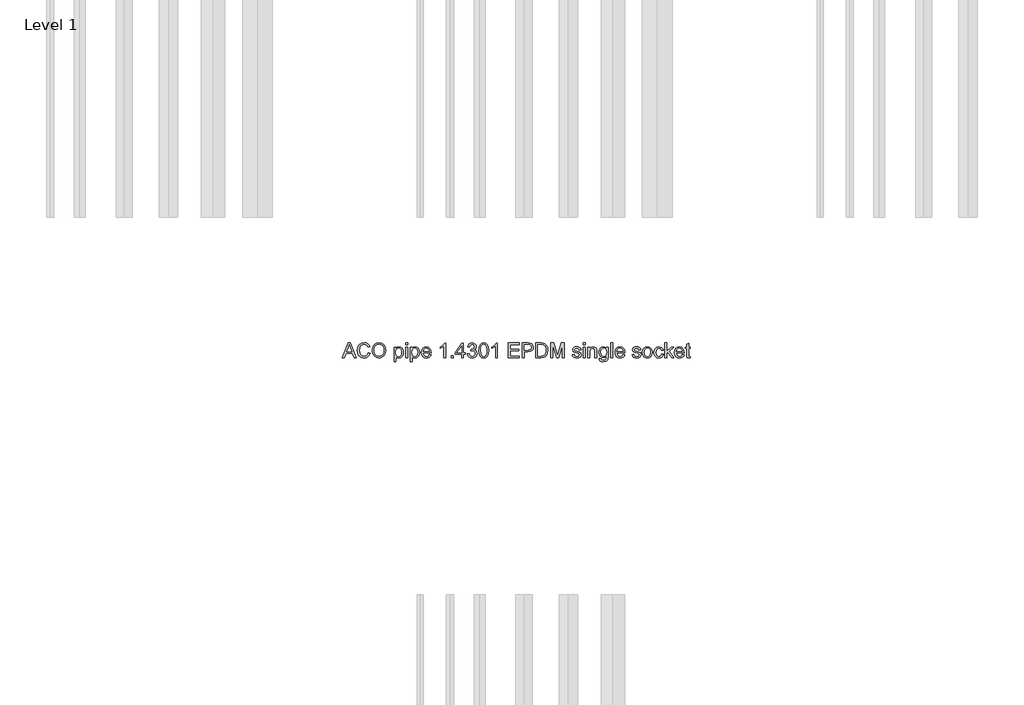
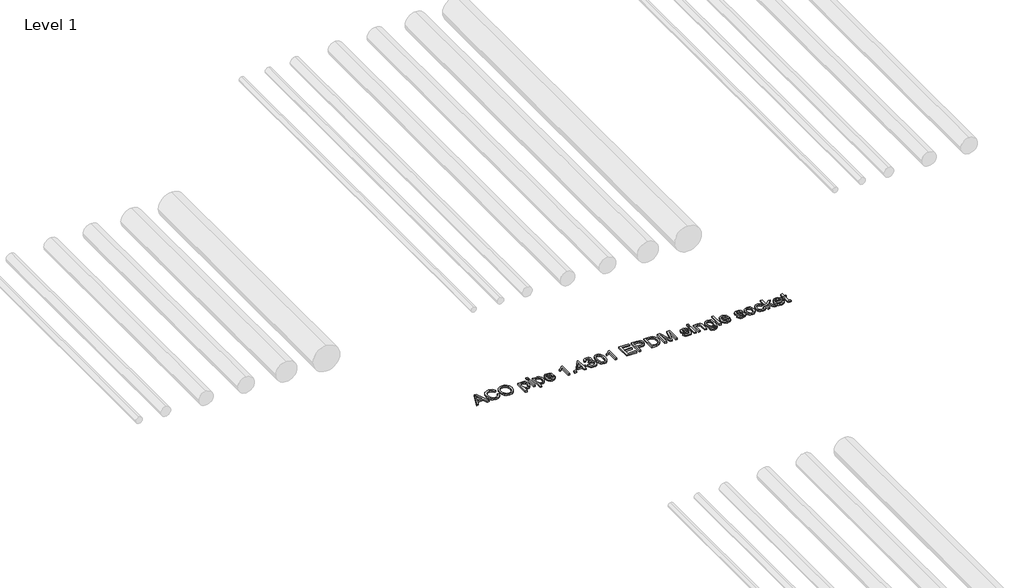
# One storey, part 11 of 13: 1 proxy.
"""IFC4 building model written with IfcOpenShell, lengths in millimetres."""

from ifc_helpers import new_model, si_unit, origin, origin_with_axes, place, context, project, spatial, polyline, outline, extrude, element, save

model = new_model("IFC4")

# Units and contexts
model_context = context("Model", 3, world=origin())
ifc_project = project(units=[si_unit("LENGTHUNIT", "METRE", prefix="MILLI")], contexts=[model_context])

# Site, building, storey
site = spatial("IfcSite", under=ifc_project)
building = spatial("IfcBuilding", under=site)
storey = spatial("IfcBuildingStorey", under=building, Name="Level 1", Elevation=0.0)

# Proxy
placement = place(None, origin())
element("IfcBuildingElementProxy", 1, Name="100mm ACO", ObjectType="100mm ACO", at=placement, inside=storey, context=model_context, shape_type="SweptSolid", body=[
    extrude(outline(polyline([(3288.8757357, -969.2114353), (3275.0736524, -969.2114353), (3263.0944857, -939.5818057), (3220.6465691, -939.5818057), (3209.1303654, -969.2114353), (3195.3572172, -969.2114353), (3234.2171709, -869.2114353), (3248.3954116, -869.2114353), (3288.8757357, -969.2114353)]), holes=[polyline([(3258.5805968, -928.4706946), (3244.156407, -891.8098149), (3241.1905505, -880.1489353), (3236.5319857, -898.7253242), (3224.9868468, -928.4706946), (3258.5805968, -928.4706946)])]), origin_with_axes(), (0.0, 0.0, 1.0), 10.0),
    extrude(outline(polyline([(3382.8572172, -937.3827316), (3376.9435887, -952.2083971), (3367.8253885, -962.7154862), (3356.0379174, -968.9763369), (3342.1164765, -971.0632872), (3321.2108052, -967.2076737), (3306.8734209, -955.6408335), (3298.5834904, -938.648646), (3295.8201802, -918.5169909), (3299.0645378, -897.1302721), (3308.7976107, -880.9446529), (3323.63051, -870.7558508), (3342.1743468, -867.3595835), (3355.4881489, -869.1716494), (3366.7258515, -874.6078473), (3375.3955563, -883.5379689), (3381.0053654, -895.8318057), (3368.0424024, -898.8410649), (3358.1899718, -883.5777548), (3341.6824487, -878.4706946), (3327.4608052, -881.1797513), (3317.1454116, -889.3069214), (3310.8737103, -901.9913832), (3308.7831431, -918.3723149), (3310.9966848, -936.7353068), (3317.6373098, -949.6946529), (3327.8369626, -957.3877953), (3340.7275876, -959.9521761), (3351.296164, -958.3354226), (3359.6801339, -953.4851622), (3365.8794973, -945.3869272), (3369.8942542, -934.0262501), (3382.8572172, -937.3827316)])), origin_with_axes(), (0.0, 0.0, 1.0), 10.0),
    extrude(outline(polyline([(3442.203282, -867.3595835), (3460.6928654, -870.9330788), (3475.478745, -881.6535649), (3485.1792658, -898.2261923), (3488.4127728, -919.3561112), (3485.1611813, -940.3956078), (3475.406407, -956.8705788), (3460.6024429, -967.5151101), (3442.203282, -971.0632872), (3423.3303075, -967.3849017), (3408.5516616, -956.3497455), (3399.0030505, -940.0194504), (3395.8201802, -920.4556483), (3399.0464533, -898.3744851), (3408.7252728, -881.5522918), (3423.5473214, -870.9077605), (3442.203282, -867.3595835)]), holes=[polyline([(3442.0875413, -959.9521761), (3455.5279348, -957.2684376), (3466.1616154, -949.2172223), (3473.098826, -936.3844677), (3475.4498098, -919.3561112), (3473.0952091, -901.9479804), (3466.031407, -889.0754399), (3455.4013434, -881.1218809), (3442.3479579, -878.4706946), (3429.0016038, -881.0676274), (3418.2449487, -888.8584261), (3411.1485945, -902.0167015), (3408.7831431, -920.7160649), (3411.0979579, -936.5978647), (3418.0424024, -949.1159492), (3428.6833167, -957.2431193), (3442.0875413, -959.9521761)])]), origin_with_axes(), (0.0, 0.0, 1.0), 10.0),
    extrude(outline(polyline([(3557.0614996, -905.6987038), (3565.5178075, -897.7776969), (3577.1859209, -895.1373612), (3589.5123098, -897.7270603), (3598.9451802, -905.4961575), (3604.9347635, -917.4246876), (3606.9312913, -932.4926853), (3604.6743468, -948.3817189), (3597.9035135, -960.6321529), (3587.8485366, -968.4555036), (3575.7391616, -971.0632872), (3565.3658978, -968.9365511), (3557.2785135, -962.5563427), (3556.9312913, -996.9892131), (3543.9683283, -996.9892131), (3543.9683283, -896.9892131), (3556.9312913, -896.9892131), (3557.0614996, -905.6987038)]), holes=[polyline([(3574.3213376, -961.8040279), (3582.0940517, -959.9774943), (3588.3983052, -954.4978936), (3592.5758225, -945.4013948), (3593.9683283, -932.7241668), (3592.6264591, -920.6473439), (3588.6008515, -911.7316899), (3582.4846767, -906.2303879), (3574.8711061, -904.3966205), (3566.989885, -906.4401679), (3560.6494626, -912.5708103), (3556.4719452, -921.956661), (3555.0794394, -933.7658335), (3556.4140748, -945.8788254), (3560.4179811, -954.6715048), (3566.563091, -960.0208971), (3574.3213376, -961.8040279)])]), origin_with_axes(), (0.0, 0.0, 1.0), 10.0),
    extrude(outline(polyline([(3634.7090691, -969.2114353), (3621.7461061, -969.2114353), (3621.7461061, -896.9892131), (3634.7090691, -896.9892131), (3634.7090691, -969.2114353)])), origin_with_axes(), (0.0, 0.0, 1.0), 10.0),
    extrude(outline(polyline([(3634.7090691, -882.1743983), (3621.7461061, -882.1743983), (3621.7461061, -869.2114353), (3634.7090691, -869.2114353), (3634.7090691, -882.1743983)])), origin_with_axes(), (0.0, 0.0, 1.0), 10.0),
    extrude(outline(polyline([(3666.3207589, -905.6987038), (3674.7770667, -897.7776969), (3686.4451802, -895.1373612), (3698.7715691, -897.7270603), (3708.2044394, -905.4961575), (3714.1940228, -917.4246876), (3716.1905505, -932.4926853), (3713.9336061, -948.3817189), (3707.1627728, -960.6321529), (3697.1077959, -968.4555036), (3684.9984209, -971.0632872), (3674.625157, -968.9365511), (3666.5377728, -962.5563427), (3666.1905505, -996.9892131), (3653.2275876, -996.9892131), (3653.2275876, -896.9892131), (3666.1905505, -896.9892131), (3666.3207589, -905.6987038)]), holes=[polyline([(3683.5805968, -961.8040279), (3691.353311, -959.9774943), (3697.6575644, -954.4978936), (3701.8350818, -945.4013948), (3703.2275876, -932.7241668), (3701.8857184, -920.6473439), (3697.8601107, -911.7316899), (3691.743936, -906.2303879), (3684.1303654, -904.3966205), (3676.2491443, -906.4401679), (3669.9087218, -912.5708103), (3665.7312045, -921.956661), (3664.3386987, -933.7658335), (3665.6733341, -945.8788254), (3669.6772404, -954.6715048), (3675.8223503, -960.0208971), (3683.5805968, -961.8040279)])]), origin_with_axes(), (0.0, 0.0, 1.0), 10.0),
    extrude(outline(polyline([(3793.9683283, -935.878102), (3740.2646246, -935.878102), (3742.3371073, -947.0036807), (3747.0499255, -955.1489353), (3753.8316096, -960.1402548), (3762.1106894, -961.8040279), (3773.7860366, -958.1147918), (3781.0053654, -946.9892131), (3793.9683283, -948.4938427), (3789.5918816, -958.1147918), (3782.6546709, -965.2183798), (3773.4098792, -969.6020603), (3762.1106894, -971.0632872), (3747.5237392, -968.5567767), (3736.5175181, -961.0372455), (3729.6056258, -949.1774365), (3727.3016616, -933.6500927), (3729.5224371, -918.1118983), (3736.1847635, -905.8144446), (3746.8835482, -897.8066321), (3761.2136987, -895.1373612), (3776.4336061, -898.5951159), (3788.8612681, -910.3717362), (3792.6915633, -920.9077605), (3793.9683283, -935.878102)]), holes=[polyline([(3781.0053654, -926.6188427), (3778.922032, -916.4625927), (3774.1766616, -909.6049538), (3760.8954116, -904.3966205), (3753.0395089, -905.9446529), (3746.7171709, -910.5887501), (3740.2646246, -926.6188427), (3781.0053654, -926.6188427)])]), origin_with_axes(), (0.0, 0.0, 1.0), 10.0),
    extrude(outline(polyline([(3892.1164765, -969.2114353), (3879.1535135, -969.2114353), (3879.1535135, -891.4336575), (3855.0794394, -906.2484723), (3855.0794394, -896.9892131), (3873.3520089, -885.2704631), (3884.7090691, -871.0632872), (3892.1164765, -871.0632872), (3892.1164765, -969.2114353)])), origin_with_axes(), (0.0, 0.0, 1.0), 10.0),
    extrude(outline(polyline([(3943.9683283, -969.2114353), (3929.1535135, -969.2114353), (3929.1535135, -954.3966205), (3943.9683283, -954.3966205), (3943.9683283, -969.2114353)])), origin_with_axes(), (0.0, 0.0, 1.0), 10.0),
    extrude(outline(polyline([(4025.4498098, -945.1373612), (4012.4868468, -945.1373612), (4012.4868468, -969.2114353), (3999.5238839, -969.2114353), (3999.5238839, -945.1373612), (3956.9312913, -945.1373612), (3956.9312913, -935.878102), (4001.8386987, -871.0632872), (4012.4868468, -871.0632872), (4012.4868468, -935.878102), (4025.4498098, -935.878102), (4025.4498098, -945.1373612)]), holes=[polyline([(3999.5238839, -935.878102), (3999.5238839, -889.9868983), (3967.7530505, -935.878102), (3999.5238839, -935.878102)])]), origin_with_axes(), (0.0, 0.0, 1.0), 10.0),
    extrude(outline(polyline([(4085.8954116, -915.6090048), (4094.2251281, -918.8461286), (4100.2327959, -924.6367825), (4105.0794394, -940.1605094), (4102.5548445, -952.4688138), (4094.9810598, -962.368264), (4083.8916501, -968.8895314), (4070.8201802, -971.0632872), (4058.540811, -969.1463311), (4048.6124255, -963.3954631), (4041.6860656, -954.4978936), (4038.4127728, -943.1408335), (4051.3757357, -941.4336575), (4058.2044394, -956.7259029), (4071.2542079, -961.8040279), (4079.3235077, -960.2776969), (4086.0545552, -955.6987038), (4090.6009961, -948.9061691), (4092.1164765, -940.7392131), (4090.6950355, -932.9809666), (4086.4307126, -926.6622455), (4079.8732762, -922.4630267), (4071.572495, -921.0632872), (4062.4868468, -922.915139), (4063.9336061, -911.8040279), (4071.8039765, -911.3121298), (4078.2854579, -908.9105094), (4084.2171709, -903.4417594), (4086.5609209, -894.6165279), (4081.7721478, -882.6952316), (4070.6755042, -878.4706946), (4058.9422866, -883.2739353), (4053.2275876, -896.9892131), (4040.2646246, -894.7612038), (4044.1021535, -883.5741379), (4050.8114996, -875.5916436), (4059.7560887, -870.8064874), (4070.2993468, -869.2114353), (4081.764914, -871.103073), (4091.1616154, -876.7779862), (4097.4333167, -885.1872744), (4099.5238839, -895.2820372), (4096.1167658, -907.3480094), (4085.8954116, -915.6090048)])), origin_with_axes(), (0.0, 0.0, 1.0), 10.0),
    extrude(outline(polyline([(4149.4949487, -869.2114353), (4164.0909412, -872.3979226), (4174.5166501, -881.9573844), (4180.7720754, -897.8898207), (4182.8572172, -920.1952316), (4180.7015459, -942.6670198), (4174.234532, -958.5198844), (4163.7382936, -967.9274365), (4149.4949487, -971.0632872), (4134.9242745, -967.8840337), (4124.5166501, -958.3462733), (4118.2720754, -942.4500059), (4116.1905505, -920.1952316), (4118.3462218, -897.7270603), (4124.8132357, -881.8271761), (4135.2950066, -872.3653705), (4149.4949487, -869.2114353)]), holes=[polyline([(4149.5238839, -961.8040279), (4158.3635829, -959.3698554), (4164.7437913, -952.0673381), (4168.6066385, -939.2309666), (4169.8942542, -920.1952316), (4167.6373098, -895.9764816), (4160.8230737, -882.8109723), (4149.3792079, -878.4706946), (4140.5575934, -880.9482698), (4134.2316385, -888.3809955), (4130.4230448, -901.289705), (4129.1535135, -920.1952316), (4131.4538607, -944.2548381), (4138.2680968, -957.4637501), (4149.5238839, -961.8040279)])]), origin_with_axes(), (0.0, 0.0, 1.0), 10.0),
    extrude(outline(polyline([(4242.1164765, -969.2114353), (4229.1535135, -969.2114353), (4229.1535135, -891.4336575), (4205.0794394, -906.2484723), (4205.0794394, -896.9892131), (4223.3520089, -885.2704631), (4234.7090691, -871.0632872), (4242.1164765, -871.0632872), (4242.1164765, -969.2114353)])), origin_with_axes(), (0.0, 0.0, 1.0), 10.0),
    extrude(outline(polyline([(4390.2646246, -969.2114353), (4316.1905505, -969.2114353), (4316.1905505, -869.2114353), (4388.4127728, -869.2114353), (4388.4127728, -880.3225464), (4329.1535135, -880.3225464), (4329.1535135, -911.8040279), (4384.7090691, -911.8040279), (4384.7090691, -922.915139), (4329.1535135, -922.915139), (4329.1535135, -958.1003242), (4390.2646246, -958.1003242), (4390.2646246, -969.2114353)])), origin_with_axes(), (0.0, 0.0, 1.0), 10.0),
    extrude(outline(polyline([(4408.7831431, -869.2114353), (4446.3410135, -869.2114353), (4461.6477265, -870.0939585), (4473.5690228, -874.6801853), (4481.8878885, -884.7351622), (4484.7090691, -898.0308798), (4482.4846767, -910.4621587), (4475.8114996, -920.1518288), (4464.2338086, -926.3909781), (4447.2958746, -928.4706946), (4421.7461061, -928.4706946), (4421.7461061, -969.2114353), (4408.7831431, -969.2114353), (4408.7831431, -869.2114353)]), holes=[polyline([(4421.7461061, -917.3595835), (4447.8167079, -917.3595835), (4465.7637566, -912.6214469), (4470.2505187, -906.6987762), (4471.7461061, -898.4070372), (4468.6355737, -887.4261344), (4460.9966848, -881.4944214), (4447.5273561, -880.3225464), (4421.7461061, -880.3225464), (4421.7461061, -917.3595835)])]), origin_with_axes(), (0.0, 0.0, 1.0), 10.0),
    extrude(outline(polyline([(4501.3757357, -869.2114353), (4535.4035135, -869.2114353), (4550.797032, -870.1373612), (4563.1234209, -874.6367825), (4573.4098792, -884.4892131), (4580.3398561, -898.9134029), (4582.8572172, -918.6616668), (4580.2675181, -938.7969388), (4572.4984209, -954.9897918), (4558.4142195, -965.6560244), (4536.8792079, -969.2114353), (4501.3757357, -969.2114353), (4501.3757357, -869.2114353)]), holes=[polyline([(4514.3386987, -958.1003242), (4535.6639302, -958.1003242), (4547.3103422, -957.2612038), (4557.7125413, -952.7328473), (4566.4364996, -940.6379399), (4569.8942542, -918.3723149), (4568.5632357, -904.0783335), (4563.6731894, -891.9689585), (4555.4989996, -883.9683798), (4546.500157, -880.8723149), (4535.2588376, -880.3225464), (4514.3386987, -880.3225464), (4514.3386987, -958.1003242)])]), origin_with_axes(), (0.0, 0.0, 1.0), 10.0),
    extrude(outline(polyline([(4693.9683283, -969.2114353), (4681.0053654, -969.2114353), (4681.0053654, -885.415139), (4655.484532, -969.2114353), (4641.7113839, -969.2114353), (4614.7148561, -884.0551853), (4614.3386987, -969.2114353), (4601.3757357, -969.2114353), (4601.3757357, -869.2114353), (4621.0805968, -869.2114353), (4643.9104579, -940.0737038), (4648.3375413, -954.8885186), (4653.3433283, -938.8584261), (4674.697495, -869.2114353), (4693.9683283, -869.2114353), (4693.9683283, -969.2114353)])), origin_with_axes(), (0.0, 0.0, 1.0), 10.0),
    extrude(outline(polyline([(4793.9683283, -917.3595835), (4789.1795552, -907.6373612), (4778.1118468, -904.3966205), (4766.7981894, -907.1743983), (4762.4868468, -915.2473149), (4765.3369626, -922.3943057), (4778.7773561, -926.2716205), (4796.500157, -930.4382872), (4805.5424024, -936.7606251), (4808.7831431, -948.0887501), (4806.7721478, -957.0188717), (4800.7391616, -964.4226622), (4791.3424603, -969.4031309), (4779.2403191, -971.0632872), (4766.7656373, -969.6671645), (4757.3508515, -965.4787964), (4750.9887276, -958.5054168), (4747.672032, -948.7542594), (4760.634995, -946.9892131), (4766.2339533, -958.1147918), (4779.2403191, -961.8040279), (4791.5377728, -957.9701159), (4795.8201802, -948.6385186), (4793.8959904, -942.6634029), (4789.0927496, -939.2924538), (4775.5076802, -936.3989353), (4754.5730737, -928.5864353), (4749.5238839, -915.9996298), (4751.3938202, -907.7133161), (4757.0036292, -901.0256714), (4765.7746073, -896.6094388), (4777.1280505, -895.1373612), (4789.0601975, -896.424977), (4798.0047866, -900.2878242), (4803.9618179, -906.7186691), (4806.9312913, -915.7102779), (4793.9683283, -917.3595835)])), origin_with_axes(), (0.0, 0.0, 1.0), 10.0),
    extrude(outline(polyline([(4834.7090691, -969.2114353), (4821.7461061, -969.2114353), (4821.7461061, -896.9892131), (4834.7090691, -896.9892131), (4834.7090691, -969.2114353)])), origin_with_axes(), (0.0, 0.0, 1.0), 10.0),
    extrude(outline(polyline([(4834.7090691, -882.1743983), (4821.7461061, -882.1743983), (4821.7461061, -869.2114353), (4834.7090691, -869.2114353), (4834.7090691, -882.1743983)])), origin_with_axes(), (0.0, 0.0, 1.0), 10.0),
    extrude(outline(polyline([(4912.4868468, -969.2114353), (4899.5238839, -969.2114353), (4899.5238839, -924.2461575), (4895.6610366, -908.6500927), (4884.9116154, -904.3966205), (4874.8855737, -907.1165279), (4868.1726107, -914.784352), (4866.1905505, -928.7889816), (4866.1905505, -969.2114353), (4853.2275876, -969.2114353), (4853.2275876, -896.9892131), (4864.3386987, -896.9892131), (4864.3386987, -907.0297223), (4874.234532, -898.1032177), (4887.4868468, -895.1373612), (4898.8583746, -897.1917594), (4907.6546709, -903.3404862), (4911.6621941, -912.0789122), (4912.4868468, -924.6223149), (4912.4868468, -969.2114353)])), origin_with_axes(), (0.0, 0.0, 1.0), 10.0),
    extrude(outline(polyline([(4990.2646246, -958.5632872), (4987.2119626, -981.2050696), (4976.3468005, -992.837014), (4957.6836061, -996.9892131), (4946.4676049, -995.5822397), (4937.2987681, -991.3613196), (4931.1898272, -983.9358277), (4929.1535135, -972.915139), (4942.1164765, -974.9695372), (4946.6882357, -984.5326159), (4957.8861524, -987.7299538), (4971.1963376, -984.0407177), (4976.3612681, -975.0563427), (4977.3016616, -960.4440742), (4968.5270667, -967.019595), (4957.7125413, -969.2114353), (4945.3210482, -966.6000348), (4935.634995, -958.7658335), (4929.384995, -946.9530441), (4927.3016616, -932.4058798), (4929.2837218, -917.7646761), (4935.2299024, -905.7855094), (4944.6772404, -897.7993983), (4957.1627728, -895.1373612), (4968.2377149, -897.5172802), (4977.041245, -904.6570372), (4977.3016616, -896.9892131), (4990.2646246, -896.9892131), (4990.2646246, -958.5632872)]), holes=[polyline([(4959.6511987, -959.9521761), (4966.8632936, -958.3462733), (4973.2218005, -953.5285649), (4977.6705853, -944.9348149), (4979.1535135, -932.0007872), (4977.7393063, -920.2133161), (4973.4966848, -911.5291436), (4967.1707299, -906.1797513), (4959.5065228, -904.3966205), (4951.7844452, -906.2231541), (4945.6321015, -911.7027548), (4941.6064938, -920.357992), (4940.2646246, -931.7114353), (4941.671598, -944.4284492), (4945.8925181, -953.1813427), (4952.146135, -958.2594677), (4959.6511987, -959.9521761)])]), origin_with_axes(), (0.0, 0.0, 1.0), 10.0),
    extrude(outline(polyline([(5021.7461061, -969.2114353), (5008.7831431, -969.2114353), (5008.7831431, -869.2114353), (5021.7461061, -869.2114353), (5021.7461061, -969.2114353)])), origin_with_axes(), (0.0, 0.0, 1.0), 10.0),
    extrude(outline(polyline([(5103.2275876, -935.878102), (5049.5238839, -935.878102), (5051.5963665, -947.0036807), (5056.3091848, -955.1489353), (5063.0908688, -960.1402548), (5071.3699487, -961.8040279), (5083.0452959, -958.1147918), (5090.2646246, -946.9892131), (5103.2275876, -948.4938427), (5098.8511408, -958.1147918), (5091.9139302, -965.2183798), (5082.6691385, -969.6020603), (5071.3699487, -971.0632872), (5056.7829985, -968.5567767), (5045.7767774, -961.0372455), (5038.864885, -949.1774365), (5036.5609209, -933.6500927), (5038.7816964, -918.1118983), (5045.4440228, -905.8144446), (5056.1428075, -897.8066321), (5070.4729579, -895.1373612), (5085.6928654, -898.5951159), (5098.1205274, -910.3717362), (5101.9508225, -920.9077605), (5103.2275876, -935.878102)]), holes=[polyline([(5090.2646246, -926.6188427), (5088.1812913, -916.4625927), (5083.4359209, -909.6049538), (5070.1546709, -904.3966205), (5062.2987681, -905.9446529), (5055.9764302, -910.5887501), (5049.5238839, -926.6188427), (5090.2646246, -926.6188427)])]), origin_with_axes(), (0.0, 0.0, 1.0), 10.0),
    extrude(outline(polyline([(5197.672032, -917.3595835), (5192.8832589, -907.6373612), (5181.8155505, -904.3966205), (5170.5018931, -907.1743983), (5166.1905505, -915.2473149), (5169.0406663, -922.3943057), (5182.4810598, -926.2716205), (5200.2038607, -930.4382872), (5209.2461061, -936.7606251), (5212.4868468, -948.0887501), (5210.4758515, -957.0188717), (5204.4428654, -964.4226622), (5195.046164, -969.4031309), (5182.9440228, -971.0632872), (5170.469341, -969.6671645), (5161.0545552, -965.4787964), (5154.6924313, -958.5054168), (5151.3757357, -948.7542594), (5164.3386987, -946.9892131), (5169.937657, -958.1147918), (5182.9440228, -961.8040279), (5195.2414765, -957.9701159), (5199.5238839, -948.6385186), (5197.5996941, -942.6634029), (5192.7964533, -939.2924538), (5179.2113839, -936.3989353), (5158.2767774, -928.5864353), (5153.2275876, -915.9996298), (5155.0975239, -907.7133161), (5160.7073329, -901.0256714), (5169.478311, -896.6094388), (5180.8317542, -895.1373612), (5192.7639012, -896.424977), (5201.7084904, -900.2878242), (5207.6655216, -906.7186691), (5210.634995, -915.7102779), (5197.672032, -917.3595835)])), origin_with_axes(), (0.0, 0.0, 1.0), 10.0),
    extrude(outline(polyline([(5255.0505042, -895.1373612), (5268.2268642, -897.5317478), (5278.9364996, -904.7149075), (5286.0437045, -916.310683), (5288.4127728, -931.9429168), (5285.848392, -950.2154862), (5278.1552496, -962.2091205), (5267.2503017, -968.8497455), (5255.0505042, -971.0632872), (5242.4600818, -968.7882582), (5231.656407, -961.9631714), (5224.2236813, -950.1974017), (5221.7461061, -933.1003242), (5224.1404927, -916.383021), (5231.3236524, -904.5412964), (5242.0441385, -897.488345), (5255.0505042, -895.1373612)]), holes=[polyline([(5255.0505042, -961.8040279), (5263.8576512, -959.7966494), (5270.2559441, -953.774514), (5275.4498098, -932.6373612), (5273.9813491, -920.3543751), (5269.5759672, -911.5146761), (5263.0076802, -906.1761344), (5255.0505042, -904.3966205), (5246.9378017, -906.2014527), (5240.4237681, -911.6159492), (5236.1377438, -920.6039411), (5234.7090691, -933.1292594), (5236.1630621, -945.6111749), (5240.5250413, -954.5846992), (5247.0643931, -959.9991957), (5255.0505042, -961.8040279)])]), origin_with_axes(), (0.0, 0.0, 1.0), 10.0),
    extrude(outline(polyline([(5364.3386987, -944.7612038), (5360.3094741, -956.5667594), (5353.140782, -964.7264816), (5343.8164186, -969.4790858), (5333.3201802, -971.0632872), (5319.0044973, -968.4735881), (5308.3491154, -960.7044909), (5301.7301917, -948.66022), (5299.5238839, -933.2450001), (5304.5586061, -910.5598149), (5317.1598792, -898.5951159), (5333.0597635, -895.1373612), (5352.5186755, -900.7941899), (5359.0544105, -907.7784203), (5362.4868468, -917.4174538), (5349.5238839, -919.2114353), (5343.6211061, -908.1147918), (5333.2044394, -904.3966205), (5324.2489996, -906.2810244), (5317.7530505, -911.9342362), (5313.8033978, -920.9656309), (5312.4868468, -932.9845835), (5313.8070147, -945.2133161), (5317.7675181, -954.2953473), (5324.2164475, -959.9268578), (5333.0018931, -961.8040279), (5345.6031663, -957.1743983), (5351.3757357, -943.2855094), (5364.3386987, -944.7612038)])), origin_with_axes(), (0.0, 0.0, 1.0), 10.0),
    extrude(outline(polyline([(5432.8572172, -969.2114353), (5419.9810598, -969.2114353), (5393.8815228, -931.2484723), (5384.7090691, -939.5818057), (5384.7090691, -969.2114353), (5371.7461061, -969.2114353), (5371.7461061, -869.2114353), (5384.7090691, -869.2114353), (5384.7090691, -925.2010186), (5415.6986524, -896.9892131), (5431.4683283, -896.9892131), (5401.7808283, -924.0146761), (5432.8572172, -969.2114353)])), origin_with_axes(), (0.0, 0.0, 1.0), 10.0),
    extrude(outline(polyline([(5503.2275876, -935.878102), (5449.5238839, -935.878102), (5451.5963665, -947.0036807), (5456.3091848, -955.1489353), (5463.0908688, -960.1402548), (5471.3699487, -961.8040279), (5483.0452959, -958.1147918), (5490.2646246, -946.9892131), (5503.2275876, -948.4938427), (5498.8511408, -958.1147918), (5491.9139302, -965.2183798), (5482.6691385, -969.6020603), (5471.3699487, -971.0632872), (5456.7829985, -968.5567767), (5445.7767774, -961.0372455), (5438.864885, -949.1774365), (5436.5609209, -933.6500927), (5438.7816964, -918.1118983), (5445.4440228, -905.8144446), (5456.1428075, -897.8066321), (5470.4729579, -895.1373612), (5485.6928654, -898.5951159), (5498.1205274, -910.3717362), (5501.9508225, -920.9077605), (5503.2275876, -935.878102)]), holes=[polyline([(5490.2646246, -926.6188427), (5488.1812913, -916.4625927), (5483.4359209, -909.6049538), (5470.1546709, -904.3966205), (5462.2987681, -905.9446529), (5455.9764302, -910.5887501), (5449.5238839, -926.6188427), (5490.2646246, -926.6188427)])]), origin_with_axes(), (0.0, 0.0, 1.0), 10.0),
    extrude(outline(polyline([(5545.8201802, -970.2241668), (5536.734532, -971.0632872), (5525.1459904, -968.1842362), (5520.7044394, -960.878102), (5519.8942542, -948.5517131), (5519.8942542, -906.2484723), (5510.634995, -906.2484723), (5510.634995, -896.9892131), (5519.8942542, -896.9892131), (5519.8942542, -878.6443057), (5532.8572172, -871.0632872), (5532.8572172, -896.9892131), (5543.9683283, -896.9892131), (5543.9683283, -906.2484723), (5532.8572172, -906.2484723), (5532.8572172, -951.1558798), (5533.8988839, -959.3734723), (5539.1940228, -961.8040279), (5544.228745, -961.8040279), (5545.8201802, -970.2241668)])), origin_with_axes(), (0.0, 0.0, 1.0), 10.0),
])

save(model, "model.ifc")
